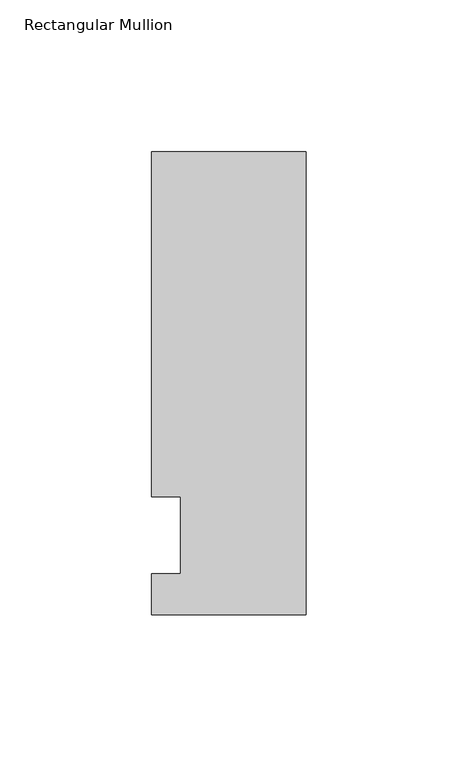
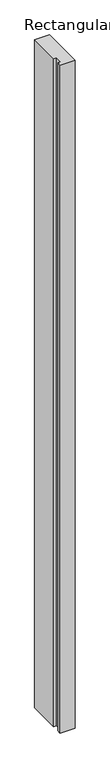
"""IFC4 building model written with IfcOpenShell, lengths in millimetres: member geometry, Rectangular Mullion."""

from ifc_helpers import new_model, si_unit, frame, origin, place, context, project, spatial, polyline, outline, extrude, source, transform, mapped, element, save


def rectangular_mullion_50bce1a4(model_context):
    return source(origin(), model_context, "Body", "SweptSolid", [
        extrude(outline(polyline([(0.0, -26.19375), (-50.8, -26.19375), (-50.8, -12.7), (-41.275, -12.7), (-41.275, 12.7), (-50.8, 12.7), (-50.8, 126.20625), (0.0, 126.20625), (0.0, -26.19375)])), frame((0.0, 0.0, -2438.4), z_axis=(0.0, 0.0, 1.0), x_axis=(1.0, 0.0, 0.0)), (0.0, 0.0, 1.0), 2438.4),
    ])


if __name__ == "__main__":
    model = new_model("IFC4")
    model_context = context("Model", 3, world=origin())
    ifc_project = project(units=[si_unit("LENGTHUNIT", "METRE", prefix="MILLI")], contexts=[model_context])
    site = spatial("IfcSite", under=ifc_project)
    building = spatial("IfcBuilding", under=site)
    placement = place(None, origin())
    rectangular_mullion_shape = rectangular_mullion_50bce1a4(model_context)
    element("IfcMember", 1, ObjectType="Rectangular Mullion", at=placement, inside=building, context=model_context, shape_type="MappedRepresentation", body=[
        mapped(rectangular_mullion_shape, transform((0.0, 0.0, 0.0), x_axis=(1.0, 0.0, 0.0), y_axis=(0.0, 1.0, 0.0), z_axis=(0.0, 0.0, 1.0))),
    ])
    save(model, "model.ifc")
